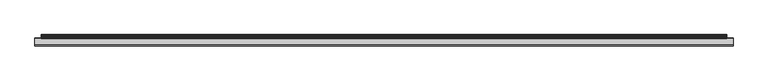
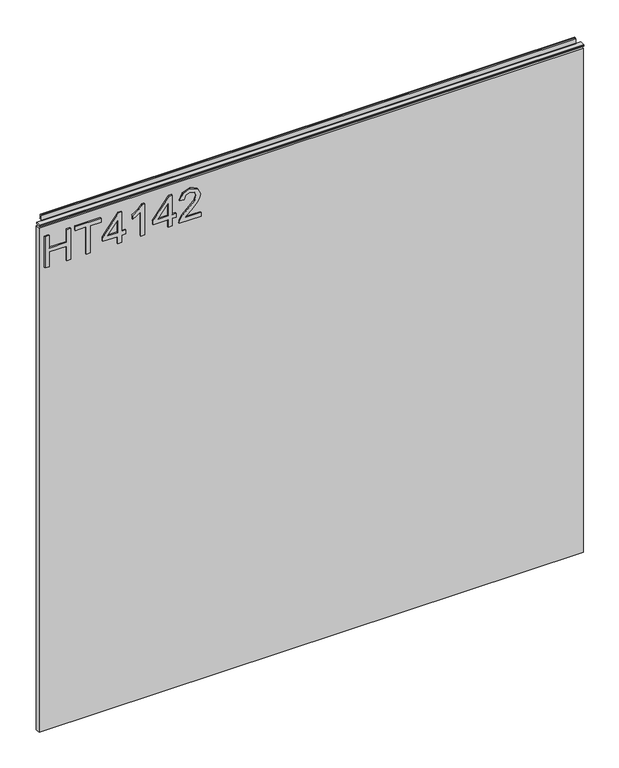
"""IFC4 building model written with IfcOpenShell, lengths in millimetres: furniture geometry."""

from ifc_helpers import new_model, si_unit, frame, origin, place, context, project, spatial, polyline, outline, extrude, source, transform, mapped, element, save


def furniture_cae68bea(model_context):
    return source(origin(), model_context, "Body", "SweptSolid", [
        extrude(outline(polyline([(1053.0078, -288.5795281), (1053.0078, -280.6058085), (1082.9092486, -280.6058085), (1082.9092486, -246.7175001), (1053.0078, -246.7175001), (1053.0078, -238.7437805), (1116.7975569, -238.7437805), (1116.7975569, -246.7175001), (1090.8829682, -246.7175001), (1090.8829682, -280.6058085), (1116.7975569, -280.6058085), (1116.7975569, -288.5795281), (1053.0078, -288.5795281)])), frame((0.0, -5.6037602, 0.0), z_axis=(0.0, 1.0, 0.0), x_axis=(0.0, 0.0, 1.0)), (0.0, 0.0, 1.0), 2.38125),
        extrude(outline(polyline([(1053.0078, -208.8423319), (1053.0078, -200.8686123), (1108.8238373, -200.8686123), (1108.8238373, -179.9375983), (1116.7975569, -179.9375983), (1116.7975569, -229.7733459), (1108.8238373, -229.7733459), (1108.8238373, -208.8423319), (1053.0078, -208.8423319)])), frame((0.0, -5.6037602, 0.0), z_axis=(0.0, 1.0, 0.0), x_axis=(0.0, 0.0, 1.0)), (0.0, 0.0, 1.0), 2.38125),
        extrude(outline(polyline([(1053.0078, -148.0427198), (1053.0078, -140.0690002), (1067.9585243, -140.0690002), (1067.9585243, -132.0952806), (1075.9322439, -132.0952806), (1075.9322439, -140.0690002), (1115.800842, -140.0690002), (1115.800842, -146.0492899), (1075.9322439, -176.9474534), (1067.9585243, -176.9474534), (1067.9585243, -148.0427198), (1053.0078, -148.0427198)]), holes=[polyline([(1075.9322439, -148.0427198), (1075.9322439, -167.1360406), (1100.5697916, -148.0427198), (1075.9322439, -148.0427198)])]), frame((0.0, -5.6037602, 0.0), z_axis=(0.0, 1.0, 0.0), x_axis=(0.0, 0.0, 1.0)), (0.0, 0.0, 1.0), 2.38125),
        extrude(outline(polyline([(1053.0078, -95.2168274), (1116.7975569, -95.2168274), (1116.7975569, -100.3561388), (1108.3099062, -107.449946), (1100.8501177, -119.1379862), (1093.3124609, -119.1379862), (1097.3382549, -110.7437775), (1102.7189582, -103.190547), (1053.0078, -103.190547), (1053.0078, -95.2168274)])), frame((0.0, -5.6037602, 0.0), z_axis=(0.0, 1.0, 0.0), x_axis=(0.0, 0.0, 1.0)), (0.0, 0.0, 1.0), 2.38125),
        extrude(outline(polyline([(1053.0078, -50.3646545), (1053.0078, -42.3909349), (1067.9585243, -42.3909349), (1067.9585243, -34.4172153), (1075.9322439, -34.4172153), (1075.9322439, -42.3909349), (1115.800842, -42.3909349), (1115.800842, -48.3712246), (1075.9322439, -79.2693881), (1067.9585243, -79.2693881), (1067.9585243, -50.3646545), (1053.0078, -50.3646545)]), holes=[polyline([(1075.9322439, -50.3646545), (1075.9322439, -69.4579753), (1100.5697916, -50.3646545), (1075.9322439, -50.3646545)])]), frame((0.0, -5.6037602, 0.0), z_axis=(0.0, 1.0, 0.0), x_axis=(0.0, 0.0, 1.0)), (0.0, 0.0, 1.0), 2.38125),
        extrude(outline(polyline([(1060.9815196, 13.4251024), (1060.9815196, -17.8935502), (1065.0384609, -14.2960322), (1072.708494, -5.1231399), (1083.6334243, 6.3001479), (1091.4514072, 11.0111834), (1099.0124245, 12.4283875), (1111.6893928, 7.1722735), (1116.7975569, -7.1009961), (1112.203324, -21.3275447), (1098.8566878, -27.4402106), (1097.8599729, -19.466491), (1105.9115608, -16.1103649), (1108.8238373, -7.2723065), (1105.8414793, 1.2075574), (1098.5296407, 4.4546679), (1089.4969115, 1.0128866), (1076.21257, -12.7542387), (1066.9695962, -22.7369619), (1058.5053059, -27.5803736), (1053.0078, -28.4369256), (1053.0078, 13.4251024), (1060.9815196, 13.4251024)])), frame((0.0, -5.6037602, 0.0), z_axis=(0.0, 1.0, 0.0), x_axis=(0.0, 0.0, 1.0)), (0.0, 0.0, 1.0), 2.38125),
        extrude(outline(polyline([(5.5562561, 1143.0), (6.3500061, 1143.0), (6.3500061, 1152.87425), (7.1437561, 1153.668), (8.6677569, 1153.668), (10.0084363, 1153.2506926), (10.875413, 1152.1461816), (10.9623604, 1150.7447591), (10.2390011, 1147.7863459), (10.4046103, 1146.5833307), (11.6746103, 1144.3836103), (10.7786383, 1143.8663244), (7.1437561, 1143.8663244), (7.1437561, 1143.0), (6.3500061, 1142.7669239), (6.3500061, 1135.5578), (5.5562561, 1135.5578), (5.5562561, 1143.0)])), frame((-288.671, 0.0, 0.0), z_axis=(1.0, 0.0, 0.0), x_axis=(0.0, 1.0, 0.0)), (0.0, 0.0, 1.0), 1034.542),
        extrude(outline(polyline([(5.5562561, 1143.0), (5.5562561, 1139.8249996), (-3.975094, 1139.8249996), (-5.3492339, 1140.6183657), (-5.3492339, 1142.2066395), (-3.9751037, 1143.0), (5.5562561, 1143.0)])), frame((-298.196, 0.0, 0.0), z_axis=(1.0, 0.0, 0.0), x_axis=(0.0, 1.0, 0.0)), (0.0, 0.0, 1.0), 1053.592),
        extrude(outline(polyline([(755.396, 6.3500061), (755.396, -3.1749939), (-298.196, -3.1749939), (-298.196, 6.3500061), (755.396, 6.3500061)])), frame((0.0, 0.0, 104.69626), z_axis=(0.0, 0.0, 1.0), x_axis=(1.0, 0.0, 0.0)), (0.0, 0.0, 1.0), 1030.86154),
    ])


if __name__ == "__main__":
    model = new_model("IFC4")
    model_context = context("Model", 3, world=origin())
    ifc_project = project(units=[si_unit("LENGTHUNIT", "METRE", prefix="MILLI")], contexts=[model_context])
    site = spatial("IfcSite", under=ifc_project)
    building = spatial("IfcBuilding", under=site)
    placement = place(None, origin())
    furniture_shape = furniture_cae68bea(model_context)
    element("IfcFurniture", 1, at=placement, inside=building, context=model_context, shape_type="MappedRepresentation", body=[
        mapped(furniture_shape, transform((0.0, 0.0, 0.0), x_axis=(1.0, 0.0, 0.0), y_axis=(0.0, 1.0, 0.0), z_axis=(0.0, 0.0, 1.0))),
    ])
    save(model, "model.ifc")
